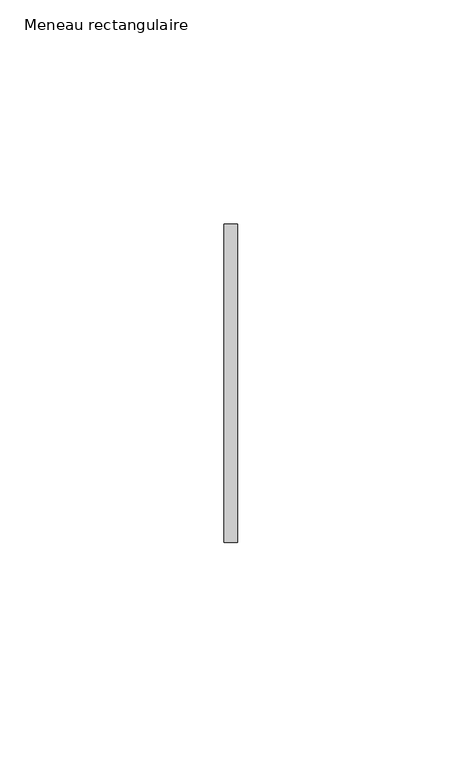
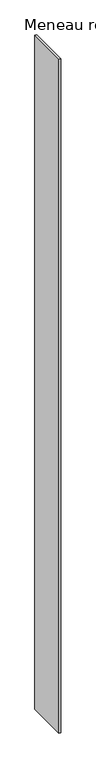
"""IFC4 building model written with IfcOpenShell, lengths in millimetres: member geometry, Meneau rectangulaire."""

import ifcopenshell
import ifcopenshell.guid

model = None  # the IFC model being written
_history = None  # IfcOwnerHistory: only IFC2X3 demands one
_inside = {}  # id of a spatial element -> (the spatial element, [elements in it])
_under = {}  # id of a project, library or spatial element -> (it, [spatial elements below it])
_declared = {}  # id of a project -> (the project, [libraries it declares])
_typed = {}  # id of a type object -> (the type object, [elements of that type])
_made_of = {}  # id of a material, layer set ... -> (it, [elements and type objects made of it])


def new_model(schema):
    """Start an empty IFC model of exactly this schema.

    Asked for "IFC4X3", IfcOpenShell would pick the latest addendum, in which some entities
    have other attributes; the version numbers below select the first issue.
    IFC2X3 requires an IfcOwnerHistory on every rooted entity: one is made here for all.
    """
    global model, _history
    if schema == "IFC4X3":
        model = ifcopenshell.file(schema_version=(4, 3, 0, 0))
    else:
        model = ifcopenshell.file(schema=schema)
    _inside.clear()
    _under.clear()
    _declared.clear()
    _typed.clear()
    _made_of.clear()
    _history = None
    if model.schema == "IFC2X3":
        org = make("IfcOrganization", Name="unknown")
        user = make(
            "IfcPersonAndOrganization",
            ThePerson=make("IfcPerson", FamilyName="unknown"),
            TheOrganization=org,
        )
        app = make(
            "IfcApplication",
            ApplicationDeveloper=org,
            Version="unknown",
            ApplicationFullName="unknown",
            ApplicationIdentifier="unknown",
        )
        _history = make(
            "IfcOwnerHistory",
            OwningUser=user,
            OwningApplication=app,
            ChangeAction="ADDED",
            CreationDate=0,
        )
    return model


def make(cls, **values):
    """One entity of the class cls with the attributes given. An attribute that is None is left unset."""
    return model.create_entity(
        cls, **{name: value for name, value in values.items() if value is not None}
    )


def rooted(cls, **values):
    """An entity with a GlobalId (a new one), such as an element, a storey or a relation."""
    return make(cls, GlobalId=ifcopenshell.guid.new(), OwnerHistory=_history, **values)


def si_unit(unit_type, name, prefix=None):
    """IfcSIUnit, for example si_unit("LENGTHUNIT", "METRE", prefix="MILLI")."""
    return make("IfcSIUnit", UnitType=unit_type, Prefix=prefix, Name=name)


def assignment(units):
    """IfcUnitAssignment: the units of a project."""
    return None if units is None else make("IfcUnitAssignment", Units=units)


def point(xyz):
    """IfcCartesianPoint."""
    return None if xyz is None else make("IfcCartesianPoint", Coordinates=xyz)


def direction(xyz):
    """IfcDirection."""
    return None if xyz is None else make("IfcDirection", DirectionRatios=xyz)


def frame(location, z_axis=None, x_axis=None):
    """IfcAxis2Placement3D, a coordinate frame: its origin and axes. An axis left out is left unset."""
    return make(
        "IfcAxis2Placement3D",
        Location=point(location),
        Axis=direction(z_axis),
        RefDirection=direction(x_axis),
    )


def origin():
    """The frame at (0, 0, 0) with its axes left unset."""
    return frame((0.0, 0.0, 0.0))


def place(relative_to, where):
    """IfcLocalPlacement: puts the frame where relative to a parent placement (None: the world)."""
    return make(
        "IfcLocalPlacement", PlacementRelTo=relative_to, RelativePlacement=where
    )


def context(
    kind, dimensions, precision=None, world=None, true_north=None, identifier=None
):
    """IfcGeometricRepresentationContext, for example the 3D "Model" context."""
    return make(
        "IfcGeometricRepresentationContext",
        ContextIdentifier=identifier,
        ContextType=kind,
        CoordinateSpaceDimension=dimensions,
        Precision=precision,
        WorldCoordinateSystem=world,
        TrueNorth=true_north,
    )


def project(units=None, contexts=None):
    """IfcProject with its units and contexts."""
    return rooted(
        "IfcProject",
        Name="project",
        RepresentationContexts=contexts,
        UnitsInContext=assignment(units),
    )


def spatial(cls, under=None, at=None, **own):
    """A site, building, storey or space (cls), placed at a placement, below another one or the project."""
    s = rooted(cls, ObjectPlacement=at, **own)
    if under is not None:
        _under.setdefault(under.id(), (under, []))[1].append(s)
    return s


def polyline(points):
    """IfcPolyline through the points."""
    return make("IfcPolyline", Points=[point(p) for p in points])


def outline(outer, holes=None, kind="AREA"):
    """IfcArbitraryClosedProfileDef: a profile drawn as a closed curve; with holes, ...WithVoids."""
    if holes is None:
        return make("IfcArbitraryClosedProfileDef", ProfileType=kind, OuterCurve=outer)
    return make(
        "IfcArbitraryProfileDefWithVoids",
        ProfileType=kind,
        OuterCurve=outer,
        InnerCurves=holes,
    )


def extrude(swept, where, along, depth):
    """IfcExtrudedAreaSolid: the profile swept, set in the frame where, extruded along a direction by depth."""
    return make(
        "IfcExtrudedAreaSolid",
        SweptArea=swept,
        Position=where,
        ExtrudedDirection=direction(along),
        Depth=depth,
    )


def shape(context_of_items, identifier, shape_type, items):
    """IfcShapeRepresentation: the items that make up one representation, for example the "Body"."""
    return make(
        "IfcShapeRepresentation",
        ContextOfItems=context_of_items,
        RepresentationIdentifier=identifier,
        RepresentationType=shape_type,
        Items=items,
    )


def source(mapping_origin, context_of_items, identifier, shape_type, items):
    """IfcRepresentationMap: a shape defined once, which mapped items show again and again."""
    return make(
        "IfcRepresentationMap",
        MappingOrigin=mapping_origin,
        MappedRepresentation=shape(context_of_items, identifier, shape_type, items),
    )


def transform(
    local_origin,
    x_axis=None,
    y_axis=None,
    z_axis=None,
    scale=None,
    scale2=None,
    scale3=None,
    uniform=True,
):
    """IfcCartesianTransformationOperator3D, or its non-uniform kind. x_axis, y_axis, z_axis: its Axis1, 2, 3."""
    if uniform:
        return make(
            "IfcCartesianTransformationOperator3D",
            Axis1=direction(x_axis),
            Axis2=direction(y_axis),
            LocalOrigin=point(local_origin),
            Scale=scale,
            Axis3=direction(z_axis),
        )
    return make(
        "IfcCartesianTransformationOperator3DnonUniform",
        Axis1=direction(x_axis),
        Axis2=direction(y_axis),
        LocalOrigin=point(local_origin),
        Scale=scale,
        Axis3=direction(z_axis),
        Scale2=scale2,
        Scale3=scale3,
    )


def mapped(mapping_source, mapping_target):
    """IfcMappedItem: shows the shape of a source again, moved by a transform."""
    return make(
        "IfcMappedItem", MappingSource=mapping_source, MappingTarget=mapping_target
    )


def made_of(thing, what):
    """Note that an element or type object is made of a material, layer set ...; save() writes the relation."""
    if what is not None:
        _made_of.setdefault(what.id(), (what, []))[1].append(thing)
    return thing


def element(
    cls,
    number,
    at=None,
    inside=None,
    cuts=None,
    type_object=None,
    material=None,
    context=None,
    identifier="Body",
    shape_type=None,
    held_by="IfcProductDefinitionShape",
    body=None,
    shapes=None,
    **own,
):
    """One element of the class cls, such as IfcWall. Its Tag is "e" and its number.

    at: its placement. inside: the storey or other place that contains it. cuts: it is an
    opening in that element (IfcRelVoidsElement). A single representation is given by context,
    identifier, shape_type and body (its items); several are given by shapes. held_by: the class
    of the entity that holds the representations. save() writes the other relations.
    """
    e = rooted(cls, Tag="e%d" % number, ObjectPlacement=at, **own)
    if body is not None:
        shapes = [shape(context, identifier, shape_type, body)]
    if shapes is not None:
        e.Representation = make(held_by, Representations=shapes)
    if inside is not None:
        _inside.setdefault(inside.id(), (inside, []))[1].append(e)
    if cuts is not None:
        rooted(
            "IfcRelVoidsElement", RelatingBuildingElement=cuts, RelatedOpeningElement=e
        )
    if type_object is not None:
        _typed.setdefault(type_object.id(), (type_object, []))[1].append(e)
    return made_of(e, material)


def aggregate(whole, parts):
    """IfcRelAggregates: a whole, such as a stair, and the parts it consists of."""
    return rooted("IfcRelAggregates", RelatingObject=whole, RelatedObjects=parts)


def save(model, path):
    """Write the relations noted so far, then the file.

    IfcRelAggregates (storeys below a building ...), IfcRelContainedInSpatialStructure (elements
    in a storey), IfcRelDefinesByType, IfcRelAssociatesMaterial and IfcRelDeclares: one each for
    every whole, place, type object, material and project.
    """
    for whole, parts in _under.values():
        aggregate(whole, parts)
    for where, things in _inside.values():
        rooted(
            "IfcRelContainedInSpatialStructure",
            RelatedElements=things,
            RelatingStructure=where,
        )
    for kind, things in _typed.values():
        rooted("IfcRelDefinesByType", RelatedObjects=things, RelatingType=kind)
    for what, things in _made_of.values():
        rooted("IfcRelAssociatesMaterial", RelatedObjects=things, RelatingMaterial=what)
    for by, libraries in _declared.values():
        rooted("IfcRelDeclares", RelatingContext=by, RelatedDefinitions=libraries)
    model.write(path)


def meneau_rectangulaire_034fc125(model_context):
    return source(origin(), model_context, "Body", "SweptSolid", [
        extrude(outline(polyline([(-1.5, 35.5), (1.5, 35.5), (1.5, -35.5), (-1.5, -35.5), (-1.5, 35.5)])), frame((0.0, 0.0, -1216.3749998), z_axis=(0.0, 0.0, 1.0), x_axis=(1.0, 0.0, 0.0)), (0.0, 0.0, 1.0), 1216.3749998),
    ])


if __name__ == "__main__":
    model = new_model("IFC4")
    model_context = context("Model", 3, world=origin())
    ifc_project = project(units=[si_unit("LENGTHUNIT", "METRE", prefix="MILLI")], contexts=[model_context])
    site = spatial("IfcSite", under=ifc_project)
    building = spatial("IfcBuilding", under=site)
    placement = place(None, origin())
    meneau_rectangulaire_shape = meneau_rectangulaire_034fc125(model_context)
    element("IfcMember", 1, ObjectType="Meneau rectangulaire", at=placement, inside=building, context=model_context, shape_type="MappedRepresentation", body=[
        mapped(meneau_rectangulaire_shape, transform((0.0, 0.0, 0.0), x_axis=(1.0, 0.0, 0.0), y_axis=(0.0, 1.0, 0.0), z_axis=(0.0, 0.0, 1.0))),
    ])
    save(model, "model.ifc")
